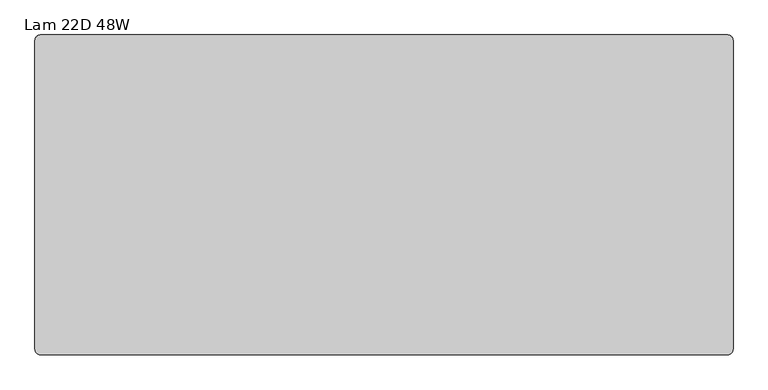
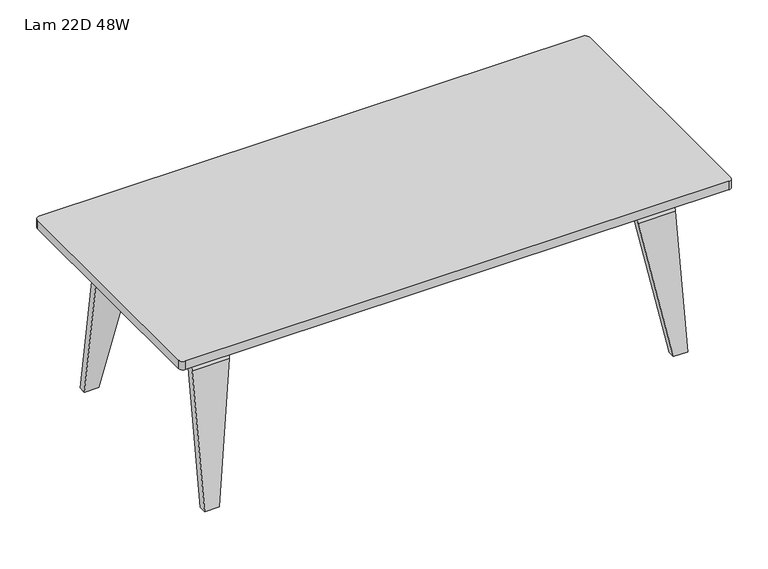
"""IFC4 building model written with IfcOpenShell, lengths in millimetres: furniture geometry, Lam 22D 48W."""

from ifc_helpers import new_model, si_unit, point, frame, frame_2d, origin, place, context, project, spatial, polyline, circle_curve, ellipse_curve, trimmed, segment, composite_curve, outline, extrude, source, transform, mapped, element, save
from ifc_brep_helpers import plane_surface, cylinder_surface, revolved_surface, advanced_brep


def lam_22d_48w_a6ea7c6e(model_context):
    return source(origin(), model_context, "Body", "SolidModel", [
        advanced_brep(
        [(501.65, 238.125, 0.0), (501.65, 221.9235331, 0.0), (452.0593989, 174.7972555, 297.5436065), (447.167, 140.4276766, 326.898), (447.167, -140.4276766, 326.898), (452.0593989, -174.7972555, 297.5436065), (501.65, -221.9235331, 0.0), (501.65, -238.125, 0.0), (451.6421882, -190.6022443, 300.0468708), (444.5, -140.4276766, 342.9), (444.5, 140.4276766, 342.9), (451.6421882, 190.6022443, 300.0468708), (533.4, 221.9235331, 0.0), (533.4, 238.125, 0.0), (533.4, 190.6022443, 300.0468708), (533.4, 140.4276766, 342.9), (533.4, -140.4276766, 342.9), (533.4, -190.6022443, 300.0468708), (533.4, -238.125, 0.0), (533.4, -221.9235331, 0.0), (533.4, -174.7972555, 297.5436065), (533.4, -140.4276766, 326.898), (533.4, 140.4276766, 326.898), (533.4, 174.7972555, 297.5436065)],
        [
            (0, 1),
            (1, 2),
            (2, 3, ellipse_curve(frame((452.9666667, 140.4276766, 292.1), z_axis=(0.9863939238321777, 0.0, 0.16439898730515398), x_axis=(-0.16439898730515307, 0.0, 0.9863939238321778)), 35.2779951, 34.798)),
            (3, 4),
            (4, 5, ellipse_curve(frame((452.9666667, -140.4276766, 292.1), z_axis=(0.9863939238321777, 0.0, 0.16439898730515398), x_axis=(-0.16439898730515307, 0.0, 0.9863939238321778)), 35.2779951, 34.798)),
            (5, 6),
            (6, 7),
            (7, 8),
            (8, 9, ellipse_curve(frame((452.9666667, -140.4276766, 292.1), z_axis=(-0.9863939238321777, 0.0, -0.16439898730515398), x_axis=(0.16439898730515307, 0.0, -0.9863939238321778)), 51.5007228, 50.8)),
            (9, 10),
            (10, 11, ellipse_curve(frame((452.9666667, 140.4276766, 292.1), z_axis=(-0.9863939238321777, 0.0, -0.16439898730515398), x_axis=(0.16439898730515307, 0.0, -0.9863939238321778)), 51.5007228, 50.8)),
            (11, 0),
            (12, 13),
            (13, 14),
            (14, 15, circle_curve(frame((533.4, 140.4276766, 292.1), z_axis=(1.0, 0.0, 0.0), x_axis=(0.0, 1.0, 0.0)), 50.8)),
            (15, 16),
            (16, 17, circle_curve(frame((533.4, -140.4276766, 292.1), z_axis=(1.0, 0.0, 0.0), x_axis=(0.0, 1.0, 0.0)), 50.8)),
            (17, 18),
            (18, 19),
            (19, 20),
            (20, 21, circle_curve(frame((533.4, -140.4276766, 292.1), z_axis=(-1.0, 0.0, 0.0), x_axis=(0.0, 1.0, 0.0)), 34.798)),
            (21, 22),
            (22, 23, circle_curve(frame((533.4, 140.4276766, 292.1), z_axis=(-1.0, 0.0, 0.0), x_axis=(0.0, 1.0, 0.0)), 34.798)),
            (23, 12),
            (12, 1),
            (0, 13),
            (11, 14),
            (10, 15),
            (9, 16),
            (8, 17),
            (7, 18),
            (6, 19),
            (5, 20),
            (4, 21),
            (3, 22),
            (2, 23),
        ],
        [
            plane_surface(frame((501.65, -279.4, 0.0), z_axis=(-0.9863939238321777, 0.0, -0.16439898730515398), x_axis=(0.0, 1.0, 0.0))),
            plane_surface(frame((533.4, 238.125, 0.0), z_axis=(1.0, 0.0, 0.0), x_axis=(0.0, 1.0, 0.0))),
            plane_surface(frame((533.4, 221.9235331, 0.0), z_axis=(0.0, 0.0, -1.0), x_axis=(-1.0, 0.0, 0.0))),
            plane_surface(frame((533.4, 238.125, 0.0), z_axis=(0.0, 0.9876883405951383, 0.15643446504022754), x_axis=(-1.0, 0.0, 0.0))),
            cylinder_surface(frame((444.5, 140.4276766, 292.1), z_axis=(1.0, 0.0, 0.0), x_axis=(0.0, 1.0, 0.0)), 50.8),
            plane_surface(frame((533.4, 140.4276766, 342.9), z_axis=(0.0, 0.0, 1.0), x_axis=(-1.0, 0.0, 0.0))),
            cylinder_surface(frame((444.5, -140.4276766, 292.1), z_axis=(1.0, 0.0, 0.0), x_axis=(0.0, 1.0, 0.0)), 50.8),
            plane_surface(frame((533.4, -190.6022443, 300.0468708), z_axis=(0.0, -0.9876883405951374, 0.15643446504023237), x_axis=(-1.0, 0.0, 0.0))),
            plane_surface(frame((533.4, -238.125, 0.0), z_axis=(0.0, 0.0, -1.0), x_axis=(-1.0, 0.0, 0.0))),
            plane_surface(frame((533.4, -221.9235331, 0.0), z_axis=(0.0, 0.9876883405951375, -0.15643446504023237), x_axis=(-1.0, 0.0, 0.0))),
            revolved_surface(polyline([(447.167, -105.62967660000001, 292.1), (533.4, -105.62967660000001, 292.1)]), (444.5, -140.4276766, 292.1), (-1.0, 0.0, 0.0)),
            plane_surface(frame((533.4, -140.4276766, 326.898), z_axis=(0.0, 0.0, -1.0), x_axis=(-1.0, 0.0, 0.0))),
            revolved_surface(polyline([(447.167, 175.2256766, 292.1), (533.4, 175.2256766, 292.1)]), (444.5, 140.4276766, 292.1), (-1.0, 0.0, 0.0)),
            plane_surface(frame((533.4, 174.7972555, 297.5436065), z_axis=(0.0, -0.9876883405951383, -0.1564344650402275), x_axis=(-1.0, 0.0, 0.0))),
        ],
        [
            (0, [[1, 2, 3, 4, 5, 6, 7, 8, 9, 10, 11, 12]]),
            (1, [[13, 14, 15, 16, 17, 18, 19, 20, 21, 22, 23, 24]]),
            (2, [[-13, 25, -1, 26]]),
            (3, [[-14, -26, -12, 27]]),
            (4, [[-15, -27, -11, 28]]),
            (5, [[-16, -28, -10, 29]]),
            (6, [[-17, -29, -9, 30]]),
            (7, [[-18, -30, -8, 31]]),
            (8, [[-19, -31, -7, 32]]),
            (9, [[-20, -32, -6, 33]]),
            (10, [[-21, -33, -5, 34]]),
            (11, [[-22, -34, -4, 35]]),
            (12, [[-23, -35, -3, 36]]),
            (13, [[-24, -36, -2, -25]]),
        ],
    ),
        advanced_brep(
        [(-533.4, 221.9235331, 0.0), (-533.4, 174.7972555, 297.5436065), (-533.4, 140.4276766, 326.898), (-533.4, -140.4276766, 326.898), (-533.4, -174.7972555, 297.5436065), (-533.4, -221.9235331, 0.0), (-533.4, -238.125, 0.0), (-533.4, -190.6022443, 300.0468708), (-533.4, -140.4276766, 342.9), (-533.4, 140.4276766, 342.9), (-533.4, 190.6022443, 300.0468708), (-533.4, 238.125, 0.0), (-501.65, 238.125, 0.0), (-501.65, 221.9235331, 0.0), (-451.6421882, 190.6022443, 300.0468708), (-444.5, 140.4276766, 342.9), (-444.5, -140.4276766, 342.9), (-451.6421882, -190.6022443, 300.0468708), (-501.65, -238.125, 0.0), (-501.65, -221.9235331, 0.0), (-452.0593989, -174.7972555, 297.5436065), (-447.167, -140.4276766, 326.898), (-447.167, 140.4276766, 326.898), (-452.0593989, 174.7972555, 297.5436065)],
        [
            (0, 1),
            (1, 2, circle_curve(frame((-533.4, 140.4276766, 292.1), z_axis=(1.0, 0.0, 0.0), x_axis=(0.0, 1.0, 0.0)), 34.798)),
            (2, 3),
            (3, 4, circle_curve(frame((-533.4, -140.4276766, 292.1), z_axis=(1.0, 0.0, 0.0), x_axis=(0.0, 1.0, 0.0)), 34.798)),
            (4, 5),
            (5, 6),
            (6, 7),
            (7, 8, circle_curve(frame((-533.4, -140.4276766, 292.1), z_axis=(-1.0, 0.0, 0.0), x_axis=(0.0, 1.0, 0.0)), 50.8)),
            (8, 9),
            (9, 10, circle_curve(frame((-533.4, 140.4276766, 292.1), z_axis=(-1.0, 0.0, 0.0), x_axis=(0.0, 1.0, 0.0)), 50.8)),
            (10, 11),
            (11, 0),
            (11, 12),
            (12, 13),
            (13, 0),
            (10, 14),
            (14, 12),
            (9, 15),
            (15, 14, ellipse_curve(frame((-452.9666667, 140.4276766, 292.1), z_axis=(-0.986393923832184, 0.0, 0.1643989873051157), x_axis=(0.164398987305115, 0.0, 0.986393923832184)), 51.5007228, 50.8)),
            (8, 16),
            (16, 15),
            (7, 17),
            (17, 16, ellipse_curve(frame((-452.9666667, -140.4276766, 292.1), z_axis=(-0.986393923832184, 0.0, 0.1643989873051157), x_axis=(0.164398987305115, 0.0, 0.986393923832184)), 51.5007228, 50.8)),
            (6, 18),
            (18, 17),
            (5, 19),
            (19, 18),
            (4, 20),
            (20, 19),
            (3, 21),
            (21, 20, ellipse_curve(frame((-452.9666667, -140.4276766, 292.1), z_axis=(0.986393923832184, 0.0, -0.1643989873051157), x_axis=(-0.164398987305115, 0.0, -0.986393923832184)), 35.2779951, 34.798)),
            (2, 22),
            (22, 21),
            (1, 23),
            (23, 22, ellipse_curve(frame((-452.9666667, 140.4276766, 292.1), z_axis=(0.986393923832184, 0.0, -0.1643989873051157), x_axis=(-0.164398987305115, 0.0, -0.986393923832184)), 35.2779951, 34.798)),
            (13, 23),
        ],
        [
            plane_surface(frame((-533.4, 238.125, 0.0), z_axis=(-1.0, 0.0, 0.0), x_axis=(0.0, -1.0, 0.0))),
            plane_surface(frame((-444.5, 221.9235331, 0.0), z_axis=(0.0, 0.0, -1.0), x_axis=(-1.0, 0.0, 0.0))),
            plane_surface(frame((-444.5, 238.125, 0.0), z_axis=(0.0, 0.9876883405951383, 0.1564344650402276), x_axis=(-1.0, 0.0, 0.0))),
            cylinder_surface(frame((-533.4, 140.4276766, 292.1), z_axis=(1.0, 0.0, 0.0), x_axis=(0.0, 1.0, 0.0)), 50.8),
            plane_surface(frame((-444.5, 140.4276766, 342.9), z_axis=(0.0, 0.0, 1.0), x_axis=(-1.0, 0.0, 0.0))),
            cylinder_surface(frame((-533.4, -140.4276766, 292.1), z_axis=(1.0, 0.0, 0.0), x_axis=(0.0, 1.0, 0.0)), 50.8),
            plane_surface(frame((-444.5, -190.6022443, 300.0468708), z_axis=(0.0, -0.9876883405951375, 0.15643446504023226), x_axis=(-1.0, 0.0, 0.0))),
            plane_surface(frame((-444.5, -238.125, 0.0), z_axis=(0.0, 0.0, -1.0), x_axis=(-1.0, 0.0, 0.0))),
            plane_surface(frame((-444.5, -221.9235331, 0.0), z_axis=(0.0, 0.9876883405951375, -0.15643446504023228), x_axis=(-1.0, 0.0, 0.0))),
            revolved_surface(polyline([(-533.4, -105.62967660000001, 292.1), (-447.167, -105.62967660000001, 292.1)]), (-533.4, -140.4276766, 292.1), (-1.0, 0.0, 0.0)),
            plane_surface(frame((-444.5, -140.4276766, 326.898), z_axis=(0.0, 0.0, -1.0), x_axis=(-1.0, 0.0, 0.0))),
            revolved_surface(polyline([(-533.4, 175.2256766, 292.1), (-447.167, 175.2256766, 292.1)]), (-533.4, 140.4276766, 292.1), (-1.0, 0.0, 0.0)),
            plane_surface(frame((-444.5, 174.7972555, 297.5436065), z_axis=(0.0, -0.9876883405951383, -0.15643446504022748), x_axis=(-1.0, 0.0, 0.0))),
            plane_surface(frame((-444.5, -279.4, 342.9), z_axis=(0.986393923832184, 0.0, -0.1643989873051157), x_axis=(0.0, 1.0, 0.0))),
        ],
        [
            (0, [[1, 2, 3, 4, 5, 6, 7, 8, 9, 10, 11, 12]]),
            (1, [[-12, 13, 14, 15]]),
            (2, [[-11, 16, 17, -13]]),
            (3, [[-10, 18, 19, -16]]),
            (4, [[-9, 20, 21, -18]]),
            (5, [[-8, 22, 23, -20]]),
            (6, [[-7, 24, 25, -22]]),
            (7, [[-6, 26, 27, -24]]),
            (8, [[-5, 28, 29, -26]]),
            (9, [[-4, 30, 31, -28]]),
            (10, [[-3, 32, 33, -30]]),
            (11, [[-2, 34, 35, -32]]),
            (12, [[-1, -15, 36, -34]]),
            (13, [[-14, -17, -19, -21, -23, -25, -27, -29, -31, -33, -35, -36]]),
        ],
    ),
        extrude(outline(polyline([(-450.85, 101.6), (-450.85, -101.6), (-527.05, -101.6), (-527.05, 101.6), (-450.85, 101.6)])), frame((0.0, 0.0, 342.9), z_axis=(0.0, 0.0, 1.0), x_axis=(1.0, 0.0, 0.0)), (0.0, 0.0, 1.0), 18.3388),
        extrude(outline(polyline([(450.85, 101.6), (527.05, 101.6), (527.05, -101.6), (450.85, -101.6), (450.85, 101.6)])), frame((0.0, 0.0, 342.9), z_axis=(0.0, 0.0, 1.0), x_axis=(1.0, 0.0, 0.0)), (0.0, 0.0, 1.0), 18.3388),
        extrude(outline(polyline([(527.05, 225.425), (527.05, -225.425), (-527.05, -225.425), (-527.05, 225.425), (527.05, 225.425)]), holes=[polyline([(-450.85, -165.1), (450.85, -165.1), (450.85, 165.1), (-450.85, 165.1), (-450.85, -165.1)])]), frame((0.0, 0.0, 361.2388), z_axis=(0.0, 0.0, 1.0), x_axis=(1.0, 0.0, 0.0)), (0.0, 0.0, 1.0), 19.05),
        extrude(outline(composite_curve([segment(trimmed(circle_curve(frame_2d((599.948, 269.748)), 9.652), [point((599.948, 279.4))], [point((609.6, 269.748))], False, "CARTESIAN"), True, "CONTINUOUS"), segment(polyline([(609.6, 269.748), (609.6, -269.748)]), True, "CONTINUOUS"), segment(trimmed(circle_curve(frame_2d((599.948, -269.748)), 9.652), [point((609.6, -269.748))], [point((599.948, -279.4))], False, "CARTESIAN"), True, "CONTINUOUS"), segment(polyline([(599.948, -279.4), (-599.948, -279.4)]), True, "CONTINUOUS"), segment(trimmed(circle_curve(frame_2d((-599.948, -269.748)), 9.652), [point((-599.948, -279.4))], [point((-609.6, -269.748))], False, "CARTESIAN"), True, "CONTINUOUS"), segment(polyline([(-609.6, -269.748), (-609.6, 269.748)]), True, "CONTINUOUS"), segment(trimmed(circle_curve(frame_2d((-599.948, 269.748)), 9.652), [point((-609.6, 269.748))], [point((-599.948, 279.4))], False, "CARTESIAN"), True, "CONTINUOUS"), segment(polyline([(-599.948, 279.4), (599.948, 279.4)]), True, "CONTINUOUS")], self_intersect=False)), frame((0.0, 0.0, 380.2888), z_axis=(0.0, 0.0, 1.0), x_axis=(1.0, 0.0, 0.0)), (0.0, 0.0, 1.0), 19.7612),
    ])


if __name__ == "__main__":
    model = new_model("IFC4")
    model_context = context("Model", 3, world=origin())
    ifc_project = project(units=[si_unit("LENGTHUNIT", "METRE", prefix="MILLI")], contexts=[model_context])
    site = spatial("IfcSite", under=ifc_project)
    building = spatial("IfcBuilding", under=site)
    placement = place(None, origin())
    lam_22d_48w_shape = lam_22d_48w_a6ea7c6e(model_context)
    element("IfcFurniture", 1, ObjectType="Lam 22D 48W", at=placement, inside=building, context=model_context, shape_type="MappedRepresentation", body=[
        mapped(lam_22d_48w_shape, transform((0.0, 0.0, 0.0), x_axis=(1.0, 0.0, 0.0), y_axis=(0.0, 1.0, 0.0), z_axis=(0.0, 0.0, 1.0))),
    ])
    save(model, "model.ifc")
